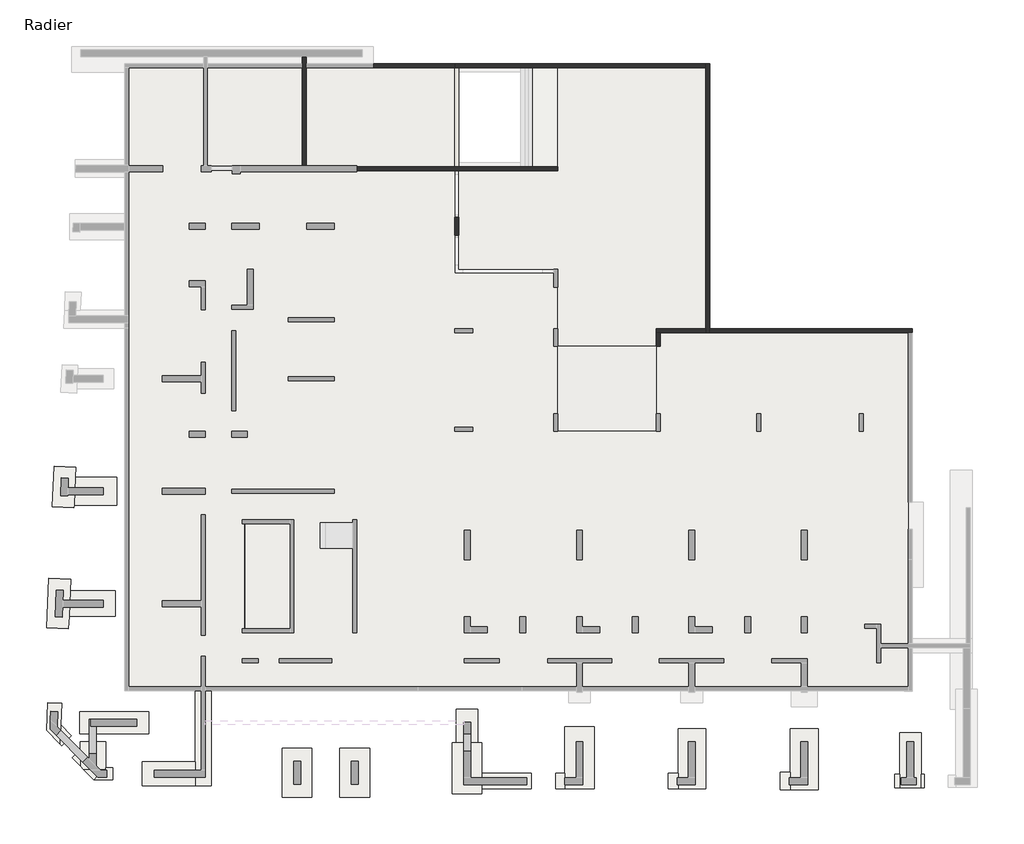
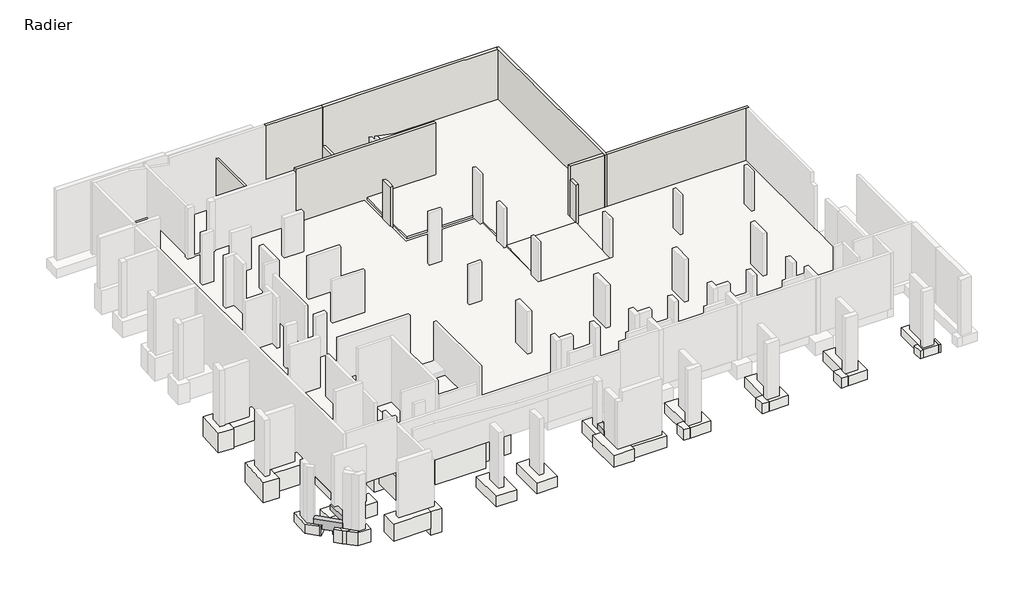
# One storey, part 3 of 4: 37 footings, 10 walls, 8 beams, 7 slabs.
"""IFC4 building model written with IfcOpenShell, lengths in millimetres."""

from ifc_helpers import new_model, si_unit, frame, origin, place, context, project, spatial, polyline, outline, extrude, faceted_brep, element, save

model = new_model("IFC4")

# Units and contexts
model_context = context("Model", 3, world=origin())
ifc_project = project(units=[si_unit("LENGTHUNIT", "METRE", prefix="MILLI")], contexts=[model_context])

# Site, building, storey
site = spatial("IfcSite", under=ifc_project)
building = spatial("IfcBuilding", under=site)
storey = spatial("IfcBuildingStorey", under=building, Name="Radier", Elevation=-3900.0)

# Beams
placement = place(None, origin())
element("IfcBeam", 1, ObjectType="VF. 20/190", at=placement, inside=storey, context=model_context, shape_type="Brep", body=[
    faceted_brep([(-34745.6912908, -6244.0672499, -4050.0), (-34745.6912908, -11559.0672499, -4050.0), (-34745.6912908, -11559.0672499, -5600.0), (-34745.6912908, -11559.0672499, -5750.0), (-34745.6912908, -11559.0672499, -5800.0), (-34745.6912908, -6244.0672499, -5800.0), (-34745.6912908, -6244.0672499, -5750.0), (-34745.6912908, -6244.0672499, -5600.0), (-34945.6912908, -11759.0672499, -5800.0), (-34945.6912908, -6044.0672499, -5800.0), (-34865.6912908, -6044.0672499, -5800.0), (-34865.6912908, -6244.0672499, -5800.0), (-34865.6912908, -11559.0672499, -5800.0), (-34865.6912908, -11759.0672499, -5800.0), (-34945.6912908, -11759.0672499, -4050.0), (-34945.6912908, -6044.0672499, -4050.0), (-34865.6912908, -11759.0672499, -4050.0), (-34865.6912908, -11559.0672499, -4050.0), (-34865.6912908, -6244.0672499, -4050.0), (-34865.6912908, -6044.0672499, -4050.0)], [[[0, 1, 2, 3, 4, 5, 6, 7]], [[8, 9, 10, 11, 5, 4, 12, 13]], [[14, 15, 9, 8]], [[15, 14, 16, 17, 1, 0, 18, 19]], [[9, 15, 19, 10]], [[14, 8, 13, 16]], [[11, 18, 0, 7, 6, 5]], [[18, 11, 10, 19]], [[17, 12, 4, 3, 2, 1]], [[12, 17, 16, 13]]]),
])
element("IfcBeam", 2, ObjectType="VF. 20/40", at=placement, inside=storey, context=model_context, shape_type="SweptSolid", body=[
    extrude(outline(polyline([(-36935.6912908, -11889.0672499), (-36735.6912908, -11889.0672499), (-36735.6912908, -12949.0672499), (-36935.6912908, -12949.0672499), (-36935.6912908, -11889.0672499)])), frame((0.0, 0.0, -4300.0), z_axis=(0.0, 0.0, 1.0), x_axis=(1.0, 0.0, 0.0)), (0.0, 0.0, 1.0), 250.0),
])
element("IfcBeam", 3, ObjectType="VF. 20/40", at=placement, inside=storey, context=model_context, shape_type="SweptSolid", body=[
    extrude(outline(polyline([(-32995.6912908, -13079.0672499), (-32995.6912908, -13279.0672499), (-34055.6912908, -13279.0672499), (-34055.6912908, -13079.0672499), (-32995.6912908, -13079.0672499)])), frame((0.0, 0.0, -4300.0), z_axis=(0.0, 0.0, 1.0), x_axis=(1.0, 0.0, 0.0)), (0.0, 0.0, 1.0), 250.0),
])
element("IfcBeam", 4, ObjectType="VF. 20/40", at=placement, inside=storey, context=model_context, shape_type="SweptSolid", body=[
    extrude(outline(polyline([(-35405.6912908, -4489.0672499), (-35405.6912908, -4689.0672499), (-36735.6912908, -4689.0672499), (-36735.6912908, -4489.0672499), (-35405.6912908, -4489.0672499)])), frame((0.0, 0.0, -4300.0), z_axis=(0.0, 0.0, 1.0), x_axis=(1.0, 0.0, 0.0)), (0.0, 0.0, 1.0), 250.0),
])
element("IfcBeam", 5, ObjectType="VF. 30/40", at=placement, inside=storey, context=model_context, shape_type="SweptSolid", body=[
    extrude(outline(polyline([(-35405.6912908, -1544.0672499), (-35405.6912908, -1844.0672499), (-36735.6912908, -1844.0672499), (-36735.6912908, -1544.0672499), (-35405.6912908, -1544.0672499)])), frame((0.0, 0.0, -4300.0), z_axis=(0.0, 0.0, 1.0), x_axis=(1.0, 0.0, 0.0)), (0.0, 0.0, 1.0), 250.0),
])
element("IfcBeam", 6, ObjectType="VF. 35/40", at=placement, inside=storey, context=model_context, shape_type="SweptSolid", body=[
    extrude(outline(polyline([(-42250.6912908, -17889.0672499), (-42600.6912908, -17889.0672499), (-42600.6912908, -16144.0672499), (-42525.6912908, -16144.0672499), (-42525.6912908, -16494.0672499), (-42250.6912908, -16494.0672499), (-42250.6912908, -17889.0672499)])), frame((0.0, 0.0, -4300.0), z_axis=(0.0, 0.0, 1.0), x_axis=(1.0, 0.0, 0.0)), (0.0, 0.0, 1.0), 400.0),
])
element("IfcBeam", 7, ObjectType="VF. 35/40", at=placement, inside=storey, context=model_context, shape_type="SweptSolid", body=[
    extrude(outline(polyline([(-23650.6912908, -16879.0672499), (-23300.6912908, -16879.0672499), (-23300.6912908, -17759.0672499), (-23650.6912908, -17759.0672499), (-23650.6912908, -16879.0672499)])), frame((0.0, 0.0, -4300.0), z_axis=(0.0, 0.0, 1.0), x_axis=(1.0, 0.0, 0.0)), (0.0, 0.0, 1.0), 400.0),
])
element("IfcBeam", 8, ObjectType="VF. 35/70", at=placement, inside=storey, context=model_context, shape_type="Brep", body=[
    faceted_brep([(-42683.933067, -18072.0990181, -3900.0), (-42932.9248767, -18318.0727539, -3900.0), (-42932.9248767, -18318.0727539, -4300.0), (-42683.933067, -18072.0990181, -4300.0), (-44296.322155, -16937.9467228, -3900.0), (-44047.3303452, -16691.972987, -3900.0), (-44047.3303452, -16691.972987, -4300.0), (-44296.322155, -16937.9467228, -4300.0), (-43888.1193718, -17351.1581147, -4300.0), (-43888.1193718, -17351.1581147, -4600.0), (-43312.5552464, -17933.7843563, -4600.0), (-43312.5552464, -17933.7843563, -4300.0), (-43075.6912908, -17675.5339587, -4600.0), (-43075.6912908, -17699.7914708, -4600.0), (-43639.127562, -17105.1843789, -4600.0), (-43075.6912908, -17675.5339587, -4300.0), (-43639.127562, -17105.1843789, -4300.0), (-43075.6912908, -17699.7914708, -4300.0)], [[[0, 1, 2, 3]], [[4, 5, 6, 7]], [[1, 4, 7, 8, 9, 10, 11, 2]], [[12, 13, 10, 9, 14]], [[5, 0, 3, 15, 12, 14, 16, 6]], [[1, 0, 5, 4]], [[3, 2, 11, 17, 15]], [[12, 15, 17, 13]], [[16, 8, 7, 6]], [[17, 11, 10, 13]], [[8, 16, 14, 9]]]),
])

# Footings
element("IfcFooting", 9, at=placement, inside=storey, context=model_context, shape_type="Brep", body=[
    faceted_brep([(-33870.6912908, -2444.0672499, -4300.0), (-33870.6912908, -2444.0672499, -6200.0), (-33870.6912908, -944.0672499, -6200.0), (-33870.6912908, -944.0672499, -4300.0), (-38270.6912908, -2444.0672499, -6200.0), (-38270.6912908, -2444.0672499, -4300.0), (-38270.6912908, -944.0672499, -4300.0), (-38270.6912908, -944.0672499, -6200.0), (-34605.6912908, -944.0672499, -4300.0), (-34605.6912908, -994.0672499, -4300.0), (-36005.6912908, -994.0672499, -4300.0), (-36005.6912908, -944.0672499, -4300.0), (-36005.6912908, -944.0672499, -5700.0), (-34605.6912908, -944.0672499, -5700.0), (-36005.6912908, -994.0672499, -5700.0), (-34605.6912908, -994.0672499, -5700.0)], [[[0, 1, 2, 3]], [[4, 5, 6, 7]], [[5, 0, 3, 8, 9, 10, 11, 6]], [[1, 0, 5, 4]], [[2, 1, 4, 7]], [[3, 2, 7, 6, 11, 12, 13, 8]], [[14, 10, 9, 15]], [[10, 14, 12, 11]], [[14, 15, 13, 12]], [[15, 9, 8, 13]]]),
])
element("IfcFooting", 10, at=placement, inside=storey, context=model_context, shape_type="SweptSolid", body=[
    extrude(outline(polyline([(-43381.4763941, -5289.0672499), (-43317.9655169, -3889.0672499), (-41225.3123193, -3889.0672499), (-41225.3123193, -5289.0672499), (-43381.4763941, -5289.0672499)])), frame((0.0, 0.0, -5800.0), z_axis=(0.0, 0.0, 1.0), x_axis=(1.0, 0.0, 0.0)), (0.0, 0.0, 1.0), 1500.0),
])
element("IfcFooting", 11, at=placement, inside=storey, context=model_context, shape_type="Brep", body=[
    faceted_brep([(-36735.6912908, -3739.0672499, -4300.0), (-36735.6912908, -5439.0672499, -4300.0), (-36735.6912908, -5439.0672499, -6300.0), (-36735.6912908, -3739.0672499, -6300.0), (-39855.6912908, -5439.0672499, -4300.0), (-39855.6912908, -3739.0672499, -4300.0), (-39855.6912908, -3739.0672499, -6300.0), (-39855.6912908, -5439.0672499, -6300.0), (-37585.6912908, -5439.0672499, -4300.0), (-37585.6912908, -5439.0672499, -6300.0), (-37585.6912908, -3739.0672499, -6300.0)], [[[0, 1, 2, 3]], [[4, 5, 6, 7]], [[0, 5, 4, 8, 1]], [[2, 1, 8, 4, 7, 9]], [[3, 2, 9, 7, 6, 10]], [[0, 3, 10, 6, 5]]]),
])
element("IfcFooting", 12, at=placement, inside=storey, context=model_context, shape_type="Brep", body=[
    faceted_brep([(-37585.6912908, -3739.0672499, -6800.0), (-37585.6912908, -5439.0672499, -6800.0), (-37585.6912908, -5439.0672499, -6600.0), (-37585.6912908, -5439.0672499, -6300.0), (-37585.6912908, -3739.0672499, -6300.0), (-30065.6912908, -3739.0672499, -6800.0), (-30065.6912908, -3739.0672499, -6300.0), (-30065.6912908, -3739.0672499, -4300.0), (-30065.6912908, -5439.0672499, -4300.0), (-30065.6912908, -5439.0672499, -6800.0), (-36735.6912908, -3739.0672499, -4300.0), (-36735.6912908, -4489.0672499, -4300.0), (-36735.6912908, -4689.0672499, -4300.0), (-36735.6912908, -5439.0672499, -4300.0), (-36085.6912908, -5439.0672499, -4300.0), (-36735.6912908, -3739.0672499, -6300.0), (-36735.6912908, -5439.0672499, -6300.0)], [[[0, 1, 2, 3, 4]], [[5, 6, 7, 8, 9]], [[8, 7, 10, 11, 12, 13, 14]], [[7, 6, 5, 0, 4, 15, 10]], [[1, 0, 5, 9]], [[9, 8, 14, 13, 16, 3, 2, 1]], [[15, 16, 13, 12, 11, 10]], [[16, 15, 4, 3]]]),
])
element("IfcFooting", 13, at=placement, inside=storey, context=model_context, shape_type="Brep", body=[
    faceted_brep([(-36085.6912908, -12999.0672499, -4300.0), (-36435.6912908, -12999.0672499, -4300.0), (-37235.6912908, -12999.0672499, -4300.0), (-37585.6912908, -12999.0672499, -4300.0), (-37585.6912908, -12999.0672499, -6600.0), (-36085.6912908, -12999.0672499, -6600.0), (-37585.6912908, -5439.0672499, -4300.0), (-36735.6912908, -5439.0672499, -4300.0), (-36085.6912908, -5439.0672499, -4300.0), (-36085.6912908, -5439.0672499, -6600.0), (-37585.6912908, -5439.0672499, -6600.0), (-37585.6912908, -5439.0672499, -6300.0), (-37585.6912908, -9529.0672499, -4300.0), (-37585.6912908, -11029.0672499, -4300.0)], [[[0, 1, 2, 3, 4, 5]], [[6, 7, 8, 9, 10, 11]], [[0, 8, 7, 6, 12, 13, 3, 2, 1]], [[4, 3, 13, 12, 6, 11, 10]], [[5, 4, 10, 9]], [[0, 5, 9, 8]]]),
])
element("IfcFooting", 14, at=placement, inside=storey, context=model_context, shape_type="SweptSolid", body=[
    extrude(outline(polyline([(-39555.6912908, -11029.0672499), (-39555.6912908, -9529.0672499), (-37585.6912908, -9529.0672499), (-37585.6912908, -11029.0672499), (-39555.6912908, -11029.0672499)])), frame((0.0, 0.0, -6100.0), z_axis=(0.0, 0.0, 1.0), x_axis=(1.0, 0.0, 0.0)), (0.0, 0.0, 1.0), 1800.0),
])
element("IfcFooting", 15, at=placement, inside=storey, context=model_context, shape_type="SweptSolid", body=[
    extrude(outline(polyline([(-43637.3344995, -10929.0672499), (-43578.3601135, -9629.0672499), (-41283.4386703, -9629.0672499), (-41283.4386703, -10929.0672499), (-43637.3344995, -10929.0672499)])), frame((0.0, 0.0, -5800.0), z_axis=(0.0, 0.0, 1.0), x_axis=(1.0, 0.0, 0.0)), (0.0, 0.0, 1.0), 1500.0),
])
element("IfcFooting", 16, at=placement, inside=storey, context=model_context, shape_type="Brep", body=[
    faceted_brep([(-28265.6912908, -13979.0672499, -4300.0), (-30065.6912908, -13979.0672499, -4300.0), (-30065.6912908, -13979.0672499, -6300.0), (-28265.6912908, -13979.0672499, -6300.0), (-30065.6912908, -3739.0672499, -4300.0), (-28265.6912908, -3739.0672499, -4300.0), (-28265.6912908, -3739.0672499, -6300.0), (-30065.6912908, -3739.0672499, -6300.0), (-30065.6912908, -5439.0672499, -4300.0), (-30065.6912908, -12379.0672499, -4300.0)], [[[0, 1, 2, 3]], [[4, 5, 6, 7]], [[0, 5, 4, 8, 9, 1]], [[2, 1, 9, 8, 4, 7]], [[3, 2, 7, 6]], [[0, 3, 6, 5]]]),
])
element("IfcFooting", 17, at=placement, inside=storey, context=model_context, shape_type="Brep", body=[
    faceted_brep([(-30065.6912908, -12379.0672499, -4300.0), (-30065.6912908, -13979.0672499, -4300.0), (-30065.6912908, -13979.0672499, -6300.0), (-30065.6912908, -13979.0672499, -6800.0), (-30065.6912908, -12379.0672499, -6800.0), (-33715.6912908, -13979.0672499, -4300.0), (-33715.6912908, -13629.0672499, -4300.0), (-33715.6912908, -12729.0672499, -4300.0), (-33715.6912908, -12379.0672499, -4300.0), (-33715.6912908, -12379.0672499, -6800.0), (-33715.6912908, -12729.0672499, -6800.0), (-33715.6912908, -13629.0672499, -6800.0), (-33715.6912908, -13979.0672499, -6800.0)], [[[0, 1, 2, 3, 4]], [[5, 6, 7, 8, 9, 10, 11, 12]], [[0, 8, 7, 6, 5, 1]], [[3, 2, 1, 5, 12]], [[4, 3, 12, 11, 10, 9]], [[0, 4, 9, 8]]]),
])
element("IfcFooting", 18, at=placement, inside=storey, context=model_context, shape_type="SweptSolid", body=[
    extrude(outline(polyline([(-35215.6912908, -13629.0672499), (-35215.6912908, -12729.0672499), (-33715.6912908, -12729.0672499), (-33715.6912908, -13629.0672499), (-35215.6912908, -13629.0672499)])), frame((0.0, 0.0, -6800.0), z_axis=(0.0, 0.0, 1.0), x_axis=(1.0, 0.0, 0.0)), (0.0, 0.0, 1.0), 2500.0),
])
element("IfcFooting", 19, at=placement, inside=storey, context=model_context, shape_type="Brep", body=[
    faceted_brep([(-35245.6912908, -6794.0672499, -5800.0), (-35245.6912908, -5494.0672499, -5800.0), (-35245.6912908, -5494.0672499, -6800.0), (-35245.6912908, -6794.0672499, -6800.0), (-32345.6912908, -5494.0672499, -5800.0), (-32345.6912908, -6794.0672499, -5800.0), (-32345.6912908, -6794.0672499, -6800.0), (-32345.6912908, -5494.0672499, -6800.0), (-33045.6912908, -6794.0672499, -5800.0), (-33045.6912908, -6794.0672499, -6800.0)], [[[0, 1, 2, 3]], [[4, 5, 6, 7]], [[0, 8, 5, 4, 1]], [[2, 1, 4, 7]], [[3, 2, 7, 6, 9]], [[0, 3, 9, 6, 5, 8]]]),
])
element("IfcFooting", 20, at=placement, inside=storey, context=model_context, shape_type="Brep", body=[
    faceted_brep([(-31645.6912908, -5494.0672499, -5800.0), (-31645.6912908, -5494.0672499, -6800.0), (-32345.6912908, -5494.0672499, -6800.0), (-32345.6912908, -5494.0672499, -5800.0), (-31645.6912908, -12059.0672499, -5800.0), (-32345.6912908, -6794.0672499, -5800.0), (-33045.6912908, -6794.0672499, -5800.0), (-33045.6912908, -11259.0672499, -5800.0), (-33045.6912908, -12059.0672499, -5800.0), (-33045.6912908, -12059.0672499, -6800.0), (-33045.6912908, -6794.0672499, -6800.0), (-33045.6912908, -11259.0672499, -6800.0), (-31645.6912908, -12059.0672499, -6800.0), (-32345.6912908, -6794.0672499, -6800.0)], [[[0, 1, 2, 3]], [[4, 0, 3, 5, 6, 7, 8]], [[9, 8, 7, 6, 10, 11]], [[1, 12, 9, 11, 10, 13, 2]], [[1, 0, 4, 12]], [[13, 5, 3, 2]], [[5, 13, 10, 6]], [[4, 8, 9, 12]]]),
])
element("IfcFooting", 21, at=placement, inside=storey, context=model_context, shape_type="SweptSolid", body=[
    extrude(outline(polyline([(-35245.6912908, -12059.0672499), (-35245.6912908, -11259.0672499), (-33045.6912908, -11259.0672499), (-33045.6912908, -12059.0672499), (-35245.6912908, -12059.0672499)])), frame((0.0, 0.0, -6800.0), z_axis=(0.0, 0.0, 1.0), x_axis=(1.0, 0.0, 0.0)), (0.0, 0.0, 1.0), 1000.0),
])
element("IfcFooting", 22, at=placement, inside=storey, context=model_context, shape_type="Brep", body=[
    faceted_brep([(-41775.6912908, -18690.656629, -5300.0), (-41775.6912908, -18690.656629, -4300.0), (-41928.2567405, -18690.656629, -4300.0), (-42881.1326203, -18690.656629, -4300.0), (-42881.1326203, -18690.656629, -5300.0), (-41928.2567405, -18690.656629, -5300.0), (-43075.6912908, -17289.0672499, -5300.0), (-43075.6912908, -17289.0672499, -4300.0), (-41775.6912908, -17289.0672499, -4300.0), (-41775.6912908, -17289.0672499, -5300.0), (-41775.6912908, -18599.0672499, -4300.0), (-43075.6912908, -17675.5339587, -4300.0), (-43075.6912908, -17699.7914708, -4300.0), (-43075.6912908, -18493.7107424, -4300.0), (-43075.6912908, -17699.7914708, -5300.0), (-43075.6912908, -18493.7107424, -5300.0), (-41775.6912908, -18599.0672499, -5300.0)], [[[0, 1, 2, 3, 4, 5]], [[6, 7, 8, 9]], [[1, 10, 8, 7, 11, 12, 13, 3, 2]], [[7, 6, 14, 15, 13, 12, 11]], [[6, 9, 16, 0, 5, 4, 15, 14]], [[1, 0, 16, 9, 8, 10]], [[4, 3, 13, 15]]]),
])
element("IfcFooting", 23, at=placement, inside=storey, context=model_context, shape_type="Brep", body=[
    faceted_brep([(-37235.6912908, -19499.0672499, -4300.0), (-36435.6912908, -19499.0672499, -4300.0), (-36435.6912908, -12999.0672499, -4300.0), (-37235.6912908, -12999.0672499, -4300.0), (-37235.6912908, -18299.0672499, -4300.0), (-37235.6912908, -19499.0672499, -6100.0), (-37235.6912908, -19499.0672499, -5600.0), (-37235.6912908, -12999.0672499, -6100.0), (-36435.6912908, -19499.0672499, -6100.0), (-36435.6912908, -12999.0672499, -6100.0)], [[[0, 1, 2, 3, 4]], [[5, 6, 0, 4, 3, 7]], [[8, 5, 7, 9]], [[1, 8, 9, 2]], [[1, 0, 6, 5, 8]], [[3, 2, 9, 7]]]),
])
element("IfcFooting", 24, at=placement, inside=storey, context=model_context, shape_type="SweptSolid", body=[
    extrude(outline(polyline([(-31335.6912908, -20094.0672499), (-32835.6912908, -20094.0672499), (-32835.6912908, -17594.0672499), (-31335.6912908, -17594.0672499), (-31335.6912908, -20094.0672499)])), frame((0.0, 0.0, -5100.0), z_axis=(0.0, 0.0, 1.0), x_axis=(1.0, 0.0, 0.0)), (0.0, 0.0, 1.0), 800.0),
])
element("IfcFooting", 25, at=placement, inside=storey, context=model_context, shape_type="SweptSolid", body=[
    extrude(outline(polyline([(-28415.6912908, -20094.0672499), (-29915.6912908, -20094.0672499), (-29915.6912908, -17594.0672499), (-28415.6912908, -17594.0672499), (-28415.6912908, -20094.0672499)])), frame((0.0, 0.0, -5100.0), z_axis=(0.0, 0.0, 1.0), x_axis=(1.0, 0.0, 0.0)), (0.0, 0.0, 1.0), 800.0),
])
element("IfcFooting", 26, at=placement, inside=storey, context=model_context, shape_type="Brep", body=[
    faceted_brep([(-22725.6912908, -19919.0672499, -4300.0), (-24225.6912908, -19919.0672499, -4300.0), (-24225.6912908, -19919.0672499, -5200.0), (-22725.6912908, -19919.0672499, -5200.0), (-24225.6912908, -17319.0672499, -4300.0), (-24025.6912908, -17319.0672499, -4300.0), (-22925.6912908, -17319.0672499, -4300.0), (-22725.6912908, -17319.0672499, -4300.0), (-22725.6912908, -17319.0672499, -5200.0), (-22925.6912908, -17319.0672499, -5200.0), (-24025.6912908, -17319.0672499, -5200.0), (-24225.6912908, -17319.0672499, -5200.0), (-22725.6912908, -19669.0672499, -4300.0), (-22725.6912908, -18869.0672499, -4300.0), (-22725.6912908, -18869.0672499, -5200.0), (-22725.6912908, -19669.0672499, -5200.0)], [[[0, 1, 2, 3]], [[4, 5, 6, 7, 8, 9, 10, 11]], [[0, 12, 13, 7, 6, 5, 4, 1]], [[2, 1, 4, 11]], [[3, 2, 11, 10, 9, 8, 14, 15]], [[0, 3, 15, 14, 8, 7, 13, 12]]]),
])
element("IfcFooting", 27, at=placement, inside=storey, context=model_context, shape_type="SweptSolid", body=[
    extrude(outline(polyline([(-22925.6912908, -17319.0672499), (-24025.6912908, -17319.0672499), (-24025.6912908, -15619.0672499), (-22925.6912908, -15619.0672499), (-22925.6912908, -17319.0672499)])), frame((0.0, 0.0, -5200.0), z_axis=(0.0, 0.0, 1.0), x_axis=(1.0, 0.0, 0.0)), (0.0, 0.0, 1.0), 900.0),
])
element("IfcFooting", 28, at=placement, inside=storey, context=model_context, shape_type="Brep", body=[
    faceted_brep([(-18535.6912908, -16519.0672499, -4300.0), (-17035.6912908, -16519.0672499, -4300.0), (-17035.6912908, -16519.0672499, -5100.0), (-18535.6912908, -16519.0672499, -5100.0), (-17035.6912908, -19669.0672499, -4300.0), (-18535.6912908, -18869.0672499, -4300.0), (-18535.6912908, -19669.0672499, -4300.0), (-18535.6912908, -19669.0672499, -5100.0), (-18535.6912908, -18869.0672499, -5100.0), (-17035.6912908, -19669.0672499, -5100.0)], [[[0, 1, 2, 3]], [[4, 1, 0, 5, 6]], [[7, 6, 5, 0, 3, 8]], [[9, 7, 8, 3, 2]], [[4, 9, 2, 1]], [[4, 6, 7, 9]]]),
])
element("IfcFooting", 29, at=placement, inside=storey, context=model_context, shape_type="Brep", body=[
    faceted_brep([(-12795.6912908, -16619.0672499, -4300.0), (-11395.6912908, -16619.0672499, -4300.0), (-11395.6912908, -16619.0672499, -5050.0), (-12795.6912908, -16619.0672499, -5050.0), (-11395.6912908, -19669.0672499, -4300.0), (-12795.6912908, -18869.0672499, -4300.0), (-12795.6912908, -19669.0672499, -4300.0), (-12795.6912908, -19669.0672499, -5050.0), (-12795.6912908, -18869.0672499, -5050.0), (-11395.6912908, -19669.0672499, -5050.0)], [[[0, 1, 2, 3]], [[4, 1, 0, 5, 6]], [[7, 6, 5, 0, 3, 8]], [[9, 7, 8, 3, 2]], [[4, 9, 2, 1]], [[4, 6, 7, 9]]]),
])
element("IfcFooting", 30, at=placement, inside=storey, context=model_context, shape_type="Brep", body=[
    faceted_brep([(-7105.6912908, -16619.0672499, -4300.0), (-5705.6912908, -16619.0672499, -4300.0), (-5705.6912908, -16619.0672499, -5050.0), (-7105.6912908, -16619.0672499, -5050.0), (-5705.6912908, -19719.0672499, -4300.0), (-7105.6912908, -18819.0672499, -4300.0), (-7105.6912908, -19719.0672499, -4300.0), (-7105.6912908, -19719.0672499, -5050.0), (-7105.6912908, -18819.0672499, -5050.0), (-5705.6912908, -19719.0672499, -5050.0)], [[[0, 1, 2, 3]], [[4, 1, 0, 5, 6]], [[7, 6, 5, 0, 3, 8]], [[9, 7, 8, 3, 2]], [[4, 9, 2, 1]], [[4, 6, 7, 9]]]),
])
element("IfcFooting", 31, at=placement, inside=storey, context=model_context, shape_type="Brep", body=[
    faceted_brep([(-1575.6912908, -16819.0672499, -4300.0), (-475.6912908, -16819.0672499, -4300.0), (-475.6912908, -16819.0672499, -4900.0), (-1575.6912908, -16819.0672499, -4900.0), (-475.6912908, -19619.0672499, -4300.0), (-475.6912908, -18919.0672499, -4300.0), (-1575.6912908, -18919.0672499, -4300.0), (-1575.6912908, -19619.0672499, -4300.0), (-1575.6912908, -19619.0672499, -4900.0), (-1575.6912908, -18919.0672499, -4900.0), (-475.6912908, -19619.0672499, -4900.0), (-475.6912908, -18919.0672499, -4900.0)], [[[0, 1, 2, 3]], [[4, 5, 1, 0, 6, 7]], [[8, 7, 6, 0, 3, 9]], [[10, 8, 9, 3, 2, 11]], [[4, 10, 11, 2, 1, 5]], [[4, 7, 8, 10]]]),
])
element("IfcFooting", 32, at=placement, inside=storey, context=model_context, shape_type="SweptSolid", body=[
    extrude(outline(polyline([(-40405.6912908, -14699.0672499), (-40805.6912908, -14699.0672499), (-40805.6912908, 3675.9327501), (-40405.6912908, 3675.9327501), (-40405.6912908, -14699.0672499)])), frame((0.0, 0.0, -6000.0), z_axis=(0.0, 0.0, 1.0), x_axis=(1.0, 0.0, 0.0)), (0.0, 0.0, 1.0), 600.0),
])
element("IfcFooting", 33, at=placement, inside=storey, context=model_context, shape_type="SweptSolid", body=[
    extrude(outline(polyline([(-43105.6912908, -16869.0672499), (-43105.6912908, -15769.0672499), (-39605.6912908, -15769.0672499), (-39605.6912908, -16869.0672499), (-43105.6912908, -16869.0672499)])), frame((0.0, 0.0, -5300.0), z_axis=(0.0, 0.0, 1.0), x_axis=(1.0, 0.0, 0.0)), (0.0, 0.0, 1.0), 1000.0),
])
element("IfcFooting", 34, at=placement, inside=storey, context=model_context, shape_type="SweptSolid", body=[
    extrude(outline(polyline([(-20225.6912908, -18869.0672499), (-20225.6912908, -19669.0672499), (-22725.6912908, -19669.0672499), (-22725.6912908, -18869.0672499), (-20225.6912908, -18869.0672499)])), frame((0.0, 0.0, -5200.0), z_axis=(0.0, 0.0, 1.0), x_axis=(1.0, 0.0, 0.0)), (0.0, 0.0, 1.0), 900.0),
])
element("IfcFooting", 35, at=placement, inside=storey, context=model_context, shape_type="Brep", body=[
    faceted_brep([(-18985.6912908, -18869.0672499, -4300.0), (-18985.6912908, -18869.0672499, -5100.0), (-18985.6912908, -19669.0672499, -5100.0), (-18985.6912908, -19669.0672499, -4300.0), (-18535.6912908, -19669.0672499, -4300.0), (-18535.6912908, -19444.0672499, -4300.0), (-18535.6912908, -19094.0672499, -4300.0), (-18535.6912908, -18869.0672499, -4300.0), (-18535.6912908, -18869.0672499, -5100.0), (-18535.6912908, -19669.0672499, -5100.0)], [[[0, 1, 2, 3]], [[0, 3, 4, 5, 6, 7]], [[1, 0, 7, 8]], [[2, 1, 8, 9]], [[3, 2, 9, 4]], [[7, 6, 5, 4, 9, 8]]]),
])
element("IfcFooting", 36, at=placement, inside=storey, context=model_context, shape_type="SweptSolid", body=[
    extrude(outline(polyline([(-13295.6912908, -19669.0672499), (-13295.6912908, -18869.0672499), (-12795.6912908, -18869.0672499), (-12795.6912908, -19669.0672499), (-13295.6912908, -19669.0672499)])), frame((0.0, 0.0, -5050.0), z_axis=(0.0, 0.0, 1.0), x_axis=(1.0, 0.0, 0.0)), (0.0, 0.0, 1.0), 750.0),
])
element("IfcFooting", 37, at=placement, inside=storey, context=model_context, shape_type="SweptSolid", body=[
    extrude(outline(polyline([(-7605.6912908, -19719.0672499), (-7605.6912908, -18819.0672499), (-7105.6912908, -18819.0672499), (-7105.6912908, -19719.0672499), (-7605.6912908, -19719.0672499)])), frame((0.0, 0.0, -5050.0), z_axis=(0.0, 0.0, 1.0), x_axis=(1.0, 0.0, 0.0)), (0.0, 0.0, 1.0), 750.0),
])
element("IfcFooting", 38, at=placement, inside=storey, context=model_context, shape_type="SweptSolid", body=[
    extrude(outline(polyline([(-1825.6912908, -19619.0672499), (-1825.6912908, -18919.0672499), (-1575.6912908, -18919.0672499), (-1575.6912908, -19619.0672499), (-1825.6912908, -19619.0672499)])), frame((0.0, 0.0, -4900.0), z_axis=(0.0, 0.0, 1.0), x_axis=(1.0, 0.0, 0.0)), (0.0, 0.0, 1.0), 600.0),
    extrude(outline(polyline([(-325.6912908, -18919.0672499), (-325.6912908, -19619.0672499), (-475.6912908, -19619.0672499), (-475.6912908, -18919.0672499), (-325.6912908, -18919.0672499)])), frame((0.0, 0.0, -4900.0), z_axis=(0.0, 0.0, 1.0), x_axis=(1.0, 0.0, 0.0)), (0.0, 0.0, 1.0), 600.0),
])
element("IfcFooting", 39, at=placement, inside=storey, context=model_context, shape_type="Brep", body=[
    faceted_brep([(-44486.0275766, -5364.4532184, -4300.0), (-44486.0275766, -5364.4532184, -5800.0), (-43387.157719, -5414.3033532, -5800.0), (-43387.157719, -5414.3033532, -4300.0), (-44393.1250529, -3316.5593928, -5800.0), (-44393.1250529, -3316.5593928, -4300.0), (-43294.2551952, -3366.4095275, -4300.0), (-43294.2551952, -3366.4095275, -5800.0), (-43381.4763941, -5289.0672499, -4300.0), (-43317.9655169, -3889.0672499, -4300.0), (-43317.9655169, -3889.0672499, -5800.0), (-43381.4763941, -5289.0672499, -5800.0)], [[[0, 1, 2, 3]], [[4, 5, 6, 7]], [[5, 0, 3, 8, 9, 6]], [[1, 0, 5, 4]], [[2, 1, 4, 7, 10, 11]], [[3, 2, 11, 10, 7, 6, 9, 8]]]),
])
element("IfcFooting", 40, at=placement, inside=storey, context=model_context, shape_type="Brep", body=[
    faceted_brep([(-44764.5471646, -11503.9908875, -4300.0), (-44764.5471646, -11503.9908875, -5800.0), (-43665.6773069, -11553.8410222, -5800.0), (-43665.6773069, -11553.8410222, -4300.0), (-44651.2514038, -9006.5593928, -5800.0), (-44651.2514038, -9006.5593928, -4300.0), (-43552.3815462, -9056.4095275, -4300.0), (-43552.3815462, -9056.4095275, -5800.0), (-43637.3344995, -10929.0672499, -4300.0), (-43578.3601135, -9629.0672499, -4300.0), (-43578.3601135, -9629.0672499, -5800.0), (-43637.3344995, -10929.0672499, -5800.0)], [[[0, 1, 2, 3]], [[4, 5, 6, 7]], [[5, 0, 3, 8, 9, 6]], [[1, 0, 5, 4]], [[2, 1, 4, 7, 10, 11]], [[3, 2, 11, 10, 7, 6, 9, 8]]]),
])
element("IfcFooting", 41, at=placement, inside=storey, context=model_context, shape_type="Brep", body=[
    faceted_brep([(-44711.7209205, -15304.3985236, -4300.0), (-44012.4401019, -15336.1213366, -4300.0), (-44012.4401019, -15336.1213366, -5000.0), (-44711.7209205, -15304.3985236, -5000.0), (-44775.135193, -16702.2690206, -4300.0), (-44105.1806147, -17380.4438768, -4300.0), (-44061.9791653, -16428.1341019, -4300.0), (-44105.1806147, -17380.4438768, -5000.0), (-44061.9791653, -16428.1341019, -5000.0), (-44775.135193, -16702.2690206, -5000.0)], [[[0, 1, 2, 3]], [[0, 4, 5, 6, 1]], [[2, 1, 6, 5, 7, 8]], [[3, 2, 8, 7, 9]], [[0, 3, 9, 4]], [[5, 4, 9, 7]]]),
])
element("IfcFooting", 42, at=placement, inside=storey, context=model_context, shape_type="SweptSolid", body=[
    extrude(outline(polyline([(-41413.5874032, -18599.0672499), (-41413.5874032, -19199.0672499), (-42378.8845348, -19199.0672499), (-41928.2567405, -18690.656629), (-41775.6912908, -18690.656629), (-41775.6912908, -18599.0672499), (-41413.5874032, -18599.0672499)])), frame((0.0, 0.0, -5300.0), z_axis=(0.0, 0.0, 1.0), x_axis=(1.0, 0.0, 0.0)), (0.0, 0.0, 1.0), 1000.0),
])
element("IfcFooting", 43, at=placement, inside=storey, context=model_context, shape_type="Brep", body=[
    faceted_brep([(-43472.6214098, -18091.9103293, -5300.0), (-43472.6214098, -18091.9103293, -4300.0), (-43312.5552464, -17933.7843563, -4300.0), (-43075.6912908, -17699.7914708, -4300.0), (-43075.6912908, -17699.7914708, -4600.0), (-43075.6912908, -17699.7914708, -5300.0), (-43075.6912908, -18493.7107424, -4300.0), (-43075.6912908, -18493.7107424, -5300.0)], [[[0, 1, 2, 3, 4, 5]], [[3, 2, 1, 6]], [[0, 5, 7]], [[1, 0, 7, 6]], [[5, 4, 3, 6, 7]]]),
    faceted_brep([(-42881.1326203, -18690.656629, -4300.0), (-42378.8845348, -19199.0672499, -4300.0), (-41928.2567405, -18690.656629, -4300.0), (-42378.8845348, -19199.0672499, -5300.0), (-42881.1326203, -18690.656629, -5300.0), (-41928.2567405, -18690.656629, -5300.0)], [[[0, 1, 2]], [[3, 4, 5]], [[0, 4, 3, 1]], [[4, 0, 2, 5]], [[2, 1, 3, 5]]]),
])
element("IfcFooting", 44, at=placement, inside=storey, context=model_context, shape_type="SweptSolid", body=[
    extrude(outline(polyline([(-39935.6912908, -19499.0672499), (-39935.6912908, -18299.0672499), (-37235.6912908, -18299.0672499), (-37235.6912908, -19499.0672499), (-39935.6912908, -19499.0672499)])), frame((0.0, 0.0, -5600.0), z_axis=(0.0, 0.0, 1.0), x_axis=(1.0, 0.0, 0.0)), (0.0, 0.0, 1.0), 1300.0),
])
element("IfcFooting", 45, at=placement, inside=storey, context=model_context, shape_type="Brep", body=[
    faceted_brep([(-44012.6152766, -17474.1449826, -4300.0), (-44012.6152766, -17474.1449826, -5000.0), (-43514.6316572, -16982.197511, -5000.0), (-43514.6316572, -16982.197511, -4300.0), (-43639.127562, -17105.1843789, -4300.0), (-43888.1193718, -17351.1581147, -4300.0), (-44061.9791653, -16428.1341019, -4300.0), (-44105.1806147, -17380.4438768, -4300.0), (-44105.1806147, -17380.4438768, -5000.0), (-44061.9791653, -16428.1341019, -5000.0)], [[[0, 1, 2, 3, 4, 5]], [[3, 6, 7, 0, 5, 4]], [[1, 0, 7, 8]], [[2, 1, 8, 9]], [[3, 2, 9, 6]], [[7, 6, 9, 8]]]),
])

# Slabs
element("IfcSlab", 46, at=placement, inside=storey, context=model_context, shape_type="Brep", body=[
    faceted_brep([(-11395.6912908, 16850.9327501, -3900.0), (-11395.6912908, 11850.9327501, -3900.0), (-11395.6912908, 11650.9327501, -3900.0), (-11395.6912908, 3640.9327501, -3900.0), (-13895.6912908, 3640.9327501, -3900.0), (-13895.6912908, 3440.9327501, -3900.0), (-13895.6912908, 2940.9327501, -3900.0), (-13895.6912908, 2740.9327501, -3900.0), (-18895.6912908, 2740.9327501, -3900.0), (-18895.6912908, 2940.9327501, -3900.0), (-18895.6912908, 3440.9327501, -3900.0), (-18895.6912908, 3640.9327501, -3900.0), (-18895.6912908, 5750.9327501, -3900.0), (-18895.6912908, 6650.9327501, -3900.0), (-19095.6912908, 6650.9327501, -3900.0), (-23895.6912908, 6650.9327501, -3900.0), (-23895.6912908, 11650.9327501, -3900.0), (-19095.6912908, 11650.9327501, -3900.0), (-18895.6912908, 11650.9327501, -3900.0), (-18895.6912908, 11850.9327501, -3900.0), (-18895.6912908, 16850.9327501, -3900.0), (-11395.6912908, 16850.9327501, -3750.0), (-18895.6912908, 16850.9327501, -3750.0), (-18895.6912908, 11650.9327501, -3750.0), (-23895.6912908, 11650.9327501, -3750.0), (-23895.6912908, 9280.9327501, -3750.0), (-23895.6912908, 8380.9327501, -3750.0), (-23895.6912908, 6650.9327501, -3750.0), (-19095.6912908, 6650.9327501, -3750.0), (-18895.6912908, 6650.9327501, -3750.0), (-18895.6912908, 5750.9327501, -3750.0), (-18895.6912908, 3640.9327501, -3750.0), (-18895.6912908, 2740.9327501, -3750.0), (-13895.6912908, 2740.9327501, -3750.0), (-13895.6912908, 3640.9327501, -3750.0), (-11395.6912908, 3640.9327501, -3750.0)], [[[0, 1, 2, 3, 4, 5, 6, 7, 8, 9, 10, 11, 12, 13, 14, 15, 16, 17, 18, 19, 20]], [[21, 22, 23, 24, 25, 26, 27, 28, 29, 30, 31, 32, 33, 34, 35]], [[3, 2, 1, 0, 21, 35]], [[4, 3, 35, 34]], [[13, 12, 11, 10, 9, 8, 32, 31, 30, 29]], [[0, 20, 22, 21]], [[7, 6, 5, 4, 34, 33]], [[8, 7, 33, 32]], [[15, 14, 13, 29, 28, 27]], [[16, 15, 27, 26, 25, 24]], [[18, 17, 16, 24, 23]], [[20, 19, 18, 23, 22]]]),
])
element("IfcSlab", 47, at=placement, inside=storey, context=model_context, shape_type="SweptSolid", body=[
    extrude(outline(polyline([(-24095.6912908, 16850.9327501), (-24095.6912908, 11850.9327501), (-29065.6912908, 11850.9327501), (-29065.6912908, 11900.9327501), (-31825.6912908, 11900.9327501), (-31825.6912908, 16850.9327501), (-24095.6912908, 16850.9327501)])), frame((0.0, 0.0, -5030.0), z_axis=(0.0, 0.0, 1.0), x_axis=(1.0, 0.0, 0.0)), (0.0, 0.0, 1.0), 150.0),
])
element("IfcSlab", 48, at=placement, inside=storey, context=model_context, shape_type="Brep", body=[
    faceted_brep([(-36825.6912908, 16850.9327501, -4050.0), (-36825.6912908, 11900.9327501, -4050.0), (-36935.6912908, 11900.9327501, -4050.0), (-36935.6912908, 11600.9327501, -4050.0), (-36435.6912908, 11600.9327501, -4050.0), (-36435.6912908, 11650.9327501, -4050.0), (-35365.6912908, 11650.9327501, -4050.0), (-35365.6912908, 11500.9327501, -4050.0), (-34975.6912908, 11500.9327501, -4050.0), (-34975.6912908, 11600.9327501, -4050.0), (-29065.6912908, 11600.9327501, -4050.0), (-29065.6912908, 11650.9327501, -4050.0), (-24095.6912908, 11650.9327501, -4050.0), (-24095.6912908, 6450.9327501, -4050.0), (-23895.725742, 6450.9327501, -4050.0), (-18895.6912908, 6450.9327501, -4050.0), (-18895.6912908, 5750.9327501, -4050.0), (-18895.6912908, 3640.9327501, -4050.0), (-18895.6912908, -1559.0672499, -4050.0), (-13895.6912908, -1559.0672499, -4050.0), (-13895.6912908, 3640.9327501, -4050.0), (-1125.6912908, 3640.9327501, -4050.0), (-1125.6912908, -14499.0672499, -4050.0), (-40605.6912908, -14499.0672499, -4050.0), (-40605.6912908, 16850.9327501, -4050.0), (-32445.6912908, -6244.0672499, -4050.0), (-34745.6912908, -6244.0672499, -4050.0), (-34745.6912908, -11559.0672499, -4050.0), (-32445.6912908, -11559.0672499, -4050.0), (-36825.6912908, 16850.9327501, -3900.0), (-40605.6912908, 16850.9327501, -3900.0), (-40605.6912908, -14499.0672499, -3900.0), (-1125.6912908, -14499.0672499, -3900.0), (-1125.6912908, 3640.9327501, -3900.0), (-13895.6912908, 3640.9327501, -3900.0), (-13895.6912908, 3440.9327501, -3900.0), (-13895.6912908, 2940.9327501, -3900.0), (-13895.6912908, 2740.9327501, -3900.0), (-13895.6912908, -1359.0672499, -3900.0), (-13895.6912908, -1559.0672499, -3900.0), (-18895.6912908, -1559.0672499, -3900.0), (-18895.6912908, -1359.0672499, -3900.0), (-18895.6912908, 2740.9327501, -3900.0), (-18895.6912908, 2940.9327501, -3900.0), (-18895.6912908, 3440.9327501, -3900.0), (-18895.6912908, 3640.9327501, -3900.0), (-18895.6912908, 5750.9327501, -3900.0), (-18895.6912908, 6450.9327501, -3900.0), (-24095.6912908, 6450.9327501, -3900.0), (-24095.6912908, 11650.9327501, -3900.0), (-29065.6912908, 11650.9327501, -3900.0), (-29065.6912908, 11600.9327501, -3900.0), (-34975.6912908, 11600.9327501, -3900.0), (-34975.6912908, 11500.9327501, -3900.0), (-35365.6912908, 11500.9327501, -3900.0), (-35365.6912908, 11650.9327501, -3900.0), (-36435.6912908, 11650.9327501, -3900.0), (-36435.6912908, 11600.9327501, -3900.0), (-36935.6912908, 11600.9327501, -3900.0), (-36935.6912908, 11900.9327501, -3900.0), (-36825.6912908, 11900.9327501, -3900.0), (-32445.6912908, -6244.0672499, -3900.0), (-32445.6912908, -11559.0672499, -3900.0), (-34745.6912908, -11559.0672499, -3900.0), (-34745.6912908, -6244.0672499, -3900.0)], [[[0, 1, 2, 3, 4, 5, 6, 7, 8, 9, 10, 11, 12, 13, 14, 15, 16, 17, 18, 19, 20, 21, 22, 23, 24], [25, 26, 27, 28]], [[29, 30, 31, 32, 33, 34, 35, 36, 37, 38, 39, 40, 41, 42, 43, 44, 45, 46, 47, 48, 49, 50, 51, 52, 53, 54, 55, 56, 57, 58, 59, 60], [61, 62, 63, 64]], [[1, 0, 29, 60]], [[2, 1, 60, 59]], [[3, 2, 59, 58]], [[4, 3, 58, 57]], [[5, 4, 57, 56]], [[6, 5, 56, 55]], [[7, 6, 55, 54]], [[8, 7, 54, 53]], [[9, 8, 53, 52]], [[10, 9, 52, 51]], [[11, 10, 51, 50]], [[12, 11, 50, 49]], [[13, 12, 49, 48]], [[15, 14, 13, 48, 47]], [[18, 17, 16, 15, 47, 46, 45, 44, 43, 42, 41, 40]], [[19, 18, 40, 39]], [[20, 19, 39, 38, 37, 36, 35, 34]], [[21, 20, 34, 33]], [[22, 21, 33, 32]], [[23, 22, 32, 31]], [[24, 23, 31, 30]], [[0, 24, 30, 29]], [[26, 25, 61, 64]], [[27, 26, 64, 63]], [[28, 27, 63, 62]], [[25, 28, 62, 61]]]),
])
element("IfcSlab", 49, at=placement, inside=storey, context=model_context, shape_type="SweptSolid", body=[
    extrude(outline(polyline([(2740.9327501, -3899.5918469), (-1559.0672499, -4050.0918469), (-1559.0672499, -3900.0), (2740.9327501, -3749.5), (2740.9327501, -3899.5918469)])), frame((-18895.6912908, 0.0, 0.0), z_axis=(1.0, 0.0, 0.0), x_axis=(0.0, 1.0, 0.0)), (0.0, 0.0, 1.0), 5000.0),
])
element("IfcSlab", 50, at=placement, inside=storey, context=model_context, shape_type="SweptSolid", body=[
    extrude(outline(polyline([(-32445.6912908, -6244.0672499), (-32445.6912908, -11559.0672499), (-34745.6912908, -11559.0672499), (-34745.6912908, -6244.0672499), (-32445.6912908, -6244.0672499)])), frame((0.0, 0.0, -5750.0), z_axis=(0.0, 0.0, 1.0), x_axis=(1.0, 0.0, 0.0)), (0.0, 0.0, 1.0), 150.0),
])
element("IfcSlab", 51, at=placement, inside=storey, context=model_context, shape_type="Brep", body=[
    faceted_brep([(-18895.7442801, 16850.9327501, -3903.029703), (-18895.7442801, 11850.9327501, -3903.029703), (-18910.7428098, 11850.9327501, -3900.0), (-20150.6912908, 11850.9327501, -3649.5304068), (-20150.6912908, 16850.9327501, -3649.5304068), (-18910.7428098, 16850.9327501, -3900.0), (-18895.7442801, 16850.9327501, -3750.0), (-20150.6912908, 16850.9327501, -3496.5007038), (-20150.6912908, 11850.9327501, -3496.5007038), (-18895.7442801, 11850.9327501, -3750.0)], [[[0, 1, 2, 3, 4, 5]], [[6, 7, 8, 9]], [[1, 0, 6, 9]], [[3, 2, 1, 9, 8]], [[4, 3, 8, 7]], [[0, 5, 4, 7, 6]]]),
])
element("IfcSlab", 52, at=placement, inside=storey, context=model_context, shape_type="SweptSolid", body=[
    extrude(outline(polyline([(-31825.6912908, 16850.9327501), (-31825.6912908, 11900.9327501), (-36625.6912908, 11900.9327501), (-36625.6912908, 16850.9327501), (-31825.6912908, 16850.9327501)])), frame((0.0, 0.0, -5130.0), z_axis=(0.0, 0.0, 1.0), x_axis=(1.0, 0.0, 0.0)), (0.0, 0.0, 1.0), 250.0),
])

# Walls
element("IfcWall", 53, ObjectType="MHA20", at=placement, inside=storey, context=model_context, shape_type="SweptSolid", body=[
    extrude(outline(polyline([(-925.6912908, 3440.9327501), (-11195.6912908, 3440.9327501), (-11195.6912908, 3640.9327501), (-925.6912908, 3640.9327501), (-925.6912908, 3440.9327501)])), frame((0.0, 0.0, -4300.0), z_axis=(0.0, 0.0, 1.0), x_axis=(1.0, 0.0, 0.0)), (0.0, 0.0, 1.0), 4400.0),
])
element("IfcWall", 54, ObjectType="MHA20", at=placement, inside=storey, context=model_context, shape_type="Brep", body=[
    faceted_brep([(-11195.6912908, 3440.9327501, -4300.0), (-11195.6912908, 3640.9327501, -4300.0), (-11195.6912908, 17050.9327501, -4300.0), (-11195.6912908, 17050.9327501, 100.0), (-11195.6912908, 3640.9327501, 100.0), (-11195.6912908, 3440.9327501, 100.0), (-11395.6912908, 3440.9327501, -4300.0), (-11395.6912908, 3440.9327501, 100.0), (-11395.6912908, 6435.9327501, 100.0), (-11395.6912908, 6635.9327501, 100.0), (-11395.6912908, 16850.9327501, 100.0), (-11395.6912908, 17050.9327501, 100.0), (-11395.6912908, 17050.9327501, -4300.0), (-11395.6912908, 16850.9327501, -4300.0)], [[[0, 1, 2, 3, 4, 5]], [[6, 7, 8, 9, 10, 11, 12, 13]], [[2, 1, 0, 6, 13, 12]], [[5, 4, 3, 11, 10, 9, 8, 7]], [[3, 2, 12, 11]], [[0, 5, 7, 6]]]),
])
element("IfcWall", 55, ObjectType="MHA20", at=placement, inside=storey, context=model_context, shape_type="Brep", body=[
    faceted_brep([(-24095.6912908, 16850.9327501, -4300.0), (-11395.6912908, 16850.9327501, -4300.0), (-11395.6912908, 16850.9327501, 100.0), (-13695.6912908, 16850.9327501, 100.0), (-13895.6912908, 16850.9327501, 100.0), (-20550.6912908, 16850.9327501, 100.0), (-20750.6912908, 16850.9327501, 100.0), (-24095.6912908, 16850.9327501, 100.0), (-24095.6912908, 16850.9327501, -2576.9882812), (-24095.6912908, 17050.9327501, -4300.0), (-24095.6912908, 17050.9327501, 100.0), (-11395.6912908, 17050.9327501, 100.0), (-11395.6912908, 17050.9327501, -4300.0)], [[[0, 1, 2, 3, 4, 5, 6, 7, 8]], [[9, 10, 11, 12]], [[1, 0, 9, 12]], [[7, 6, 5, 4, 3, 2, 11, 10]], [[0, 8, 7, 10, 9]], [[2, 1, 12, 11]]]),
])
element("IfcWall", 56, ObjectType="MHA20", at=placement, inside=storey, context=model_context, shape_type="Brep", body=[
    faceted_brep([(-29065.6912908, 11650.9327501, 230.0), (-29065.6912908, 11650.9327501, -5570.0), (-18895.7442801, 11650.9327501, -5570.0), (-18895.7442801, 11650.9327501, -4550.0), (-18895.7442801, 11650.9327501, -3900.0), (-18895.7442801, 11650.9327501, -1450.0), (-18895.7442801, 11650.9327501, -951.7084699), (-18895.7442801, 11650.9327501, -771.6994701), (-18895.7442801, 11650.9327501, 230.0), (-29065.6912908, 11850.9327501, -5570.0), (-29065.6912908, 11850.9327501, 230.0), (-18895.7442801, 11850.9327501, 230.0), (-18895.7442801, 11850.9327501, -771.6994701), (-18895.7442801, 11850.9327501, -951.7084699), (-18895.7442801, 11850.9327501, -1450.0), (-18895.7442801, 11850.9327501, -3900.0), (-18895.7442801, 11850.9327501, -4550.0), (-18895.7442801, 11850.9327501, -5570.0)], [[[0, 1, 2, 3, 4, 5, 6, 7, 8]], [[9, 10, 11, 12, 13, 14, 15, 16, 17]], [[2, 1, 9, 17]], [[8, 7, 6, 5, 4, 3, 2, 17, 16, 15, 14, 13, 12, 11]], [[0, 8, 11, 10]], [[0, 10, 9, 1]]]),
])
element("IfcWall", 57, ObjectType="MHA20", at=placement, inside=storey, context=model_context, shape_type="Brep", body=[
    faceted_brep([(-31625.6912908, 11900.9327501, -5400.0), (-31625.6912908, 16850.9327501, -5400.0), (-31625.6912908, 17050.9327501, -5400.0), (-31625.6912908, 17405.9327501, -5400.0), (-31625.6912908, 17405.9327501, -1178.54), (-31625.6912908, 17050.9327501, -1178.54), (-31625.6912908, 16850.9327501, -1178.54), (-31625.6912908, 11900.9327501, -1178.54), (-31825.6912908, 17405.9327501, -5400.0), (-31825.6912908, 17050.9327501, -5400.0), (-31825.6912908, 16850.9327501, -5400.0), (-31825.6912908, 11900.9327501, -5400.0), (-31825.6912908, 11900.9327501, -1138.14), (-31825.6912908, 16850.9327501, -1138.14), (-31825.6912908, 17050.9327501, -1138.14), (-31825.6912908, 17405.9327501, -1138.14)], [[[0, 1, 2, 3, 4, 5, 6, 7]], [[8, 9, 10, 11, 12, 13, 14, 15]], [[3, 2, 1, 0, 11, 10, 9, 8]], [[11, 0, 7, 12]], [[3, 8, 15, 4]], [[7, 6, 5, 4, 15, 14, 13, 12]]]),
])
element("IfcWall", 58, ObjectType="MHA20", at=placement, inside=storey, context=model_context, shape_type="Brep", body=[
    faceted_brep([(-23895.6912908, 11850.9327501, -5400.0), (-23895.6912908, 16850.9327501, -5400.0), (-23895.6912908, 16850.9327501, -2903.2316832), (-23895.6912908, 11850.9327501, -2903.2316832), (-24095.6912908, 16850.9327501, -5400.0), (-24095.6912908, 11850.9327501, -5400.0), (-24095.6912908, 11850.9327501, -2862.8316832), (-24095.6912908, 16850.9327501, -2862.8316832), (-24095.6912908, 16850.9327501, -4300.0)], [[[0, 1, 2, 3]], [[4, 5, 6, 7, 8]], [[1, 0, 5, 4]], [[5, 0, 3, 6]], [[3, 2, 7, 6]], [[1, 4, 8, 7, 2]]]),
])
element("IfcWall", 59, ObjectType="MHA20", at=placement, inside=storey, context=model_context, shape_type="Brep", body=[
    faceted_brep([(-13895.6912908, 3440.9327501, -4300.0), (-13695.6912908, 3440.9327501, -4300.0), (-11395.6912908, 3440.9327501, -4300.0), (-11395.6912908, 3440.9327501, 100.0), (-13895.6912908, 3440.9327501, 100.0), (-13895.6912908, 3440.9327501, -900.0), (-13895.6912908, 3440.9327501, -1450.0), (-13895.6912908, 3440.9327501, -3900.0), (-13895.6912908, 3640.9327501, -4300.0), (-13895.6912908, 3640.9327501, -3900.0), (-13895.6912908, 3640.9327501, -1450.0), (-13895.6912908, 3640.9327501, 100.0), (-11395.6912908, 3640.9327501, 100.0), (-11395.6912908, 3640.9327501, -4300.0)], [[[0, 1, 2, 3, 4, 5, 6, 7]], [[8, 9, 10, 11, 12, 13]], [[2, 1, 0, 8, 13]], [[3, 2, 13, 12]], [[4, 3, 12, 11]], [[0, 7, 6, 5, 4, 11, 10, 9, 8]]]),
])
element("IfcWall", 60, ObjectType="MHA20", at=placement, inside=storey, context=model_context, shape_type="SweptSolid", body=[
    extrude(outline(polyline([(-24095.6912908, 16850.9327501), (-28225.6912908, 16850.9327501), (-28225.6912908, 17050.9327501), (-24095.6912908, 17050.9327501), (-24095.6912908, 16850.9327501)])), frame((0.0, 0.0, -5400.0), z_axis=(0.0, 0.0, 1.0), x_axis=(1.0, 0.0, 0.0)), (0.0, 0.0, 1.0), 5500.0),
])
element("IfcWall", 61, ObjectType="MHA20", at=placement, inside=storey, context=model_context, shape_type="Brep", body=[
    faceted_brep([(-13695.6912908, 2740.9327501, -4300.0), (-13695.6912908, 3440.9327501, -4300.0), (-13695.6912908, 3440.9327501, -1450.0), (-13695.6912908, 3440.9327501, -900.0), (-13695.6912908, 2740.9327501, -900.0), (-13695.6912908, 2740.9327501, -1450.0), (-13895.6912908, 2740.9327501, -4300.0), (-13895.6912908, 2740.9327501, -4150.0), (-13895.6912908, 2740.9327501, -3900.0), (-13895.6912908, 2740.9327501, -1450.0), (-13895.6912908, 2740.9327501, -900.0), (-13895.6912908, 3440.9327501, -900.0), (-13895.6912908, 3440.9327501, -1450.0), (-13895.6912908, 3440.9327501, -4300.0)], [[[0, 1, 2, 3, 4, 5]], [[6, 7, 8, 9, 10, 11, 12, 13]], [[1, 0, 6, 13]], [[4, 3, 11, 10]], [[0, 5, 4, 10, 9, 8, 7, 6]], [[3, 2, 1, 13, 12, 11]]]),
])
element("IfcWall", 62, ObjectType="MHA20", at=placement, inside=storey, context=model_context, shape_type="Brep", body=[
    faceted_brep([(-23895.6912908, 8380.9327501, -4300.0), (-23895.6912908, 9280.9327501, -4300.0), (-23895.6912908, 9280.9327501, -3750.0), (-23895.6912908, 9280.9327501, -901.7089998), (-23895.6912908, 8930.9327501, -901.7089998), (-23895.6912908, 8730.9327501, -901.7089998), (-23895.6912908, 8380.9327501, -901.7089998), (-23895.6912908, 8380.9327501, -3750.0), (-24095.6912908, 8380.9327501, -4300.0), (-24095.6912908, 8380.9327501, -3750.0), (-24095.6912908, 8380.9327501, -901.7089998), (-24095.6912908, 8730.9327501, -901.7089998), (-24095.6912908, 8930.9327501, -901.7089998), (-24095.6912908, 9280.9327501, -901.7089998), (-24095.6912908, 9280.9327501, -3750.0), (-24095.6912908, 9280.9327501, -4300.0)], [[[0, 1, 2, 3, 4, 5, 6, 7]], [[8, 9, 10, 11, 12, 13, 14, 15]], [[1, 0, 8, 15]], [[3, 2, 1, 15, 14, 13]], [[6, 5, 4, 3, 13, 12, 11, 10]], [[0, 7, 6, 10, 9, 8]]]),
])

save(model, "model.ifc")
